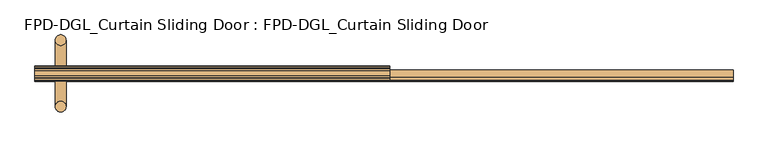
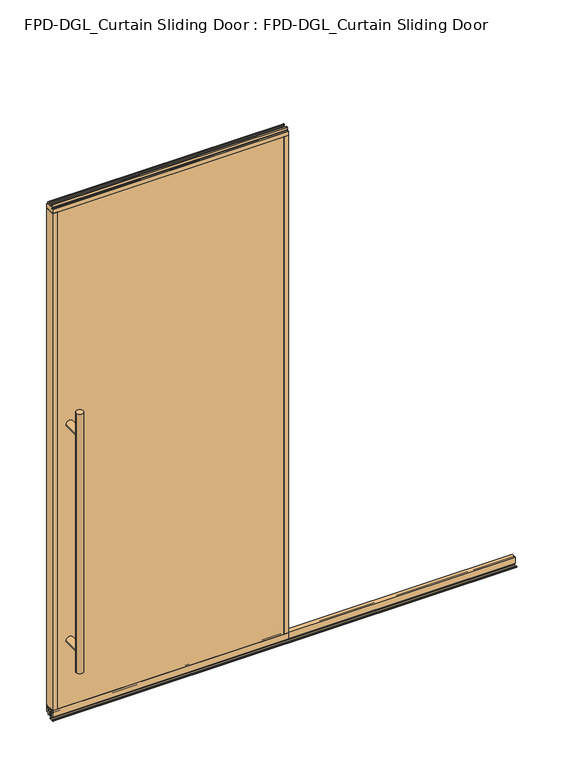
"""IFC4 building model written with IfcOpenShell, lengths in millimetres: door geometry, FPD-DGL_Curtain Sliding Door : FPD-DGL_Curtain Sliding Door."""

from ifc_helpers import new_model, si_unit, point, frame, frame_2d, origin, place, context, project, spatial, polyline, circle_curve, ellipse_curve, trimmed, segment, composite_curve, outline, extrude, source, transform, mapped, element, save
from ifc_brep_helpers import plane_surface, cylinder_surface, advanced_brep


def fpd_dgl_curtain_sliding_door_fpd_dgl_curtain_sliding_door_3c992f0a(model_context):
    return source(origin(), model_context, "Body", "SolidModel", [
        advanced_brep(
        [(-432.6176626, -35.128049, 1473.2), (-464.3676626, -35.128049, 1473.2), (-432.6176626, 162.0969566, 1473.2), (-464.3676626, 162.0969566, 1473.2), (-432.6176626, -35.128049, 254.0), (-464.3676626, -35.128049, 254.0), (-432.6176626, 162.0969566, 254.0), (-464.3676626, 162.0969566, 254.0), (-432.6176626, -35.128049, 1371.6), (-464.3676626, -35.128049, 1371.6), (-464.3676626, -35.128049, 355.6), (-432.6176626, -35.128049, 355.6), (-432.6176626, 162.0969566, 1371.6), (-432.6176626, 162.0969566, 355.6), (-464.3676626, 162.0969566, 355.6), (-464.3676626, 162.0969566, 1371.6)],
        [
            (0, 1, circle_curve(frame((-448.4926626, -35.128049, 1473.2), z_axis=(0.0, 0.0, 1.0), x_axis=(-1.0, 0.0, 0.0)), 15.875)),
            (1, 0, circle_curve(frame((-448.4926626, -35.128049, 1473.2), z_axis=(0.0, 0.0, 1.0), x_axis=(-1.0, 0.0, 0.0)), 15.875)),
            (2, 3, circle_curve(frame((-448.4926626, 162.0969566, 1473.2), z_axis=(0.0, 0.0, 1.0), x_axis=(-1.0, 0.0, 0.0)), 15.875)),
            (3, 2, circle_curve(frame((-448.4926626, 162.0969566, 1473.2), z_axis=(0.0, 0.0, 1.0), x_axis=(-1.0, 0.0, 0.0)), 15.875)),
            (4, 5, circle_curve(frame((-448.4926626, -35.128049, 254.0), z_axis=(0.0, 0.0, -1.0), x_axis=(-1.0, 0.0, 0.0)), 15.875)),
            (5, 4, circle_curve(frame((-448.4926626, -35.128049, 254.0), z_axis=(0.0, 0.0, -1.0), x_axis=(-1.0, 0.0, 0.0)), 15.875)),
            (6, 7, circle_curve(frame((-448.4926626, 162.0969566, 254.0), z_axis=(0.0, 0.0, -1.0), x_axis=(-1.0, 0.0, 0.0)), 15.875)),
            (7, 6, circle_curve(frame((-448.4926626, 162.0969566, 254.0), z_axis=(0.0, 0.0, -1.0), x_axis=(-1.0, 0.0, 0.0)), 15.875)),
            (0, 8),
            (8, 9, ellipse_curve(frame((-448.4926626, -35.128049, 1371.6), z_axis=(0.0, -0.7071067811865525, 0.7071067811865427), x_axis=(0.0, 0.7071067811865427, 0.7071067811865523)), 22.4506403, 15.875)),
            (9, 1),
            (5, 10),
            (10, 11, ellipse_curve(frame((-448.4926626, -35.128049, 355.6), z_axis=(0.0, -0.7071067811865525, -0.7071067811865427), x_axis=(0.0, -0.7071067811865427, 0.7071067811865523)), 22.4506403, 15.875)),
            (11, 4),
            (8, 11),
            (11, 10, ellipse_curve(frame((-448.4926626, -35.128049, 355.6), z_axis=(0.0, -0.7071067811865427, 0.7071067811865525), x_axis=(0.0, 0.7071067811865525, 0.7071067811865425)), 22.4506403, 15.875)),
            (10, 9),
            (9, 8, ellipse_curve(frame((-448.4926626, -35.128049, 1371.6), z_axis=(0.0, -0.7071067811865427, -0.7071067811865525), x_axis=(0.0, -0.7071067811865525, 0.7071067811865425)), 22.4506403, 15.875)),
            (2, 12),
            (12, 13),
            (13, 6),
            (7, 14),
            (14, 15),
            (15, 3),
            (15, 12, ellipse_curve(frame((-448.4926626, 162.0969566, 1371.6), z_axis=(0.0, 0.7071067811865427, 0.7071067811865525), x_axis=(0.0, -0.7071067811865525, 0.7071067811865425)), 22.4506403, 15.875)),
            (13, 14, ellipse_curve(frame((-448.4926626, 162.0969566, 355.6), z_axis=(0.0, 0.7071067811865427, -0.7071067811865525), x_axis=(0.0, 0.7071067811865525, 0.7071067811865425)), 22.4506403, 15.875)),
            (12, 15, ellipse_curve(frame((-448.4926626, 162.0969566, 1371.6), z_axis=(0.0, 0.7071067811865525, -0.7071067811865427), x_axis=(0.0, 0.7071067811865427, 0.7071067811865523)), 22.4506403, 15.875)),
            (14, 13, ellipse_curve(frame((-448.4926626, 162.0969566, 355.6), z_axis=(0.0, 0.7071067811865525, 0.7071067811865427), x_axis=(0.0, -0.7071067811865427, 0.7071067811865523)), 22.4506403, 15.875)),
            (9, 15),
            (12, 8),
            (10, 14),
            (13, 11),
        ],
        [
            plane_surface(frame((-349.3852619, 63.5, 1473.2), z_axis=(0.0, 0.0, 1.0), x_axis=(0.0, -1.0, 0.0))),
            plane_surface(frame((-349.3852619, 63.5, 254.0), z_axis=(0.0, 0.0, -1.0), x_axis=(0.0, -1.0, 0.0))),
            cylinder_surface(frame((-448.4926626, -35.128049, 1473.2), z_axis=(0.0, 0.0, 1.0), x_axis=(-1.0, 0.0, 0.0)), 15.875),
            cylinder_surface(frame((-448.4926626, 162.0969566, 1473.2), z_axis=(0.0, 0.0, 1.0), x_axis=(-1.0, 0.0, 0.0)), 15.875),
            cylinder_surface(frame((-448.4926626, 162.0969566, 1371.6), z_axis=(0.0, -1.0, 0.0), x_axis=(1.0, 0.0, 0.0)), 15.875),
            cylinder_surface(frame((-448.4926626, 63.5, 355.6), z_axis=(0.0, -1.0, 0.0), x_axis=(1.0, 0.0, 0.0)), 15.875),
        ],
        [
            (0, [[1, 2]]),
            (0, [[3, 4]]),
            (1, [[5, 6]]),
            (1, [[7, 8]]),
            (2, [[-1, 9, 10, 11]]),
            (2, [[-6, 12, 13, 14]]),
            (2, [[15, 16, 17, 18]]),
            (2, [[-2, -11, -17, -12, -5, -14, -15, -9]]),
            (3, [[-3, 19, 20, 21, -8, 22, 23, 24]]),
            (3, [[-4, -24, 25, -19]]),
            (3, [[-7, -21, 26, -22]]),
            (3, [[-20, 27, -23, 28]]),
            (4, [[29, -27, 30, -18]]),
            (4, [[-29, -10, -30, -25]]),
            (5, [[31, -26, 32, -13]]),
            (5, [[-31, -16, -32, -28]]),
        ],
    ),
        extrude(outline(composite_curve([segment(trimmed(circle_curve(frame_2d((58.5185794, 1.1714386)), 1.1684), [point((59.6869794, 1.1714386))], [point((58.5185794, 0.0030387))], False, "CARTESIAN"), True, "CONTINUOUS"), segment(polyline([(58.5185794, 0.0030387), (40.8401797, 0.0030387)]), True, "CONTINUOUS"), segment(trimmed(circle_curve(frame_2d((40.8401797, 1.1714386)), 1.1684), [point((40.8401797, 0.0030387))], [point((39.6717797, 1.1714386))], False, "CARTESIAN"), True, "CONTINUOUS"), segment(polyline([(39.6717797, 1.1714386), (39.6717797, 4.0416386)]), True, "CONTINUOUS"), segment(trimmed(circle_curve(frame_2d((40.8401797, 4.0416386)), 1.1684), [point((39.6717797, 4.0416386))], [point((40.8401797, 5.2100386))], False, "CARTESIAN"), True, "CONTINUOUS"), segment(polyline([(40.8401797, 5.2100386), (43.4288569, 5.2100386), (43.4288569, 4.4232339), (40.4337797, 4.4232339), (40.4337797, 0.7650387), (58.9122794, 0.7650387), (58.9122794, 4.3138948), (56.2262294, 4.3138948), (56.2262294, 5.1338386), (58.9336188, 5.1338386)]), True, "CONTINUOUS"), segment(trimmed(circle_curve(frame_2d((58.5185794, 4.0416386)), 1.1684), [point((58.9336188, 5.1338386))], [point((59.6869794, 4.0416386))], False, "CARTESIAN"), True, "CONTINUOUS"), segment(polyline([(59.6869794, 4.0416386), (59.6869794, 1.1714386)]), True, "CONTINUOUS")], self_intersect=False)), frame((-524.6926626, 0.0, 0.0), z_axis=(1.0, 0.0, 0.0), x_axis=(0.0, 1.0, 0.0)), (0.0, 0.0, 1.0), 2065.3853252),
        extrude(outline(composite_curve([segment(polyline([(74.4646139, 41.6030387), (74.4646139, 11.6839647), (73.4646139, 11.6839647), (73.4646139, 33.5017657), (72.0747815, 33.5017657), (72.0747815, 34.3040626), (73.4646139, 34.3040626), (73.4646139, 35.6040627), (62.6646138, 35.6040627), (62.6646138, 34.3040626), (64.0544462, 34.3040626), (64.0544462, 33.5017657), (62.6646138, 33.5017657), (62.6646138, 11.6839647), (61.0646135, 11.6839647), (61.0646135, 39.1243868)]), True, "CONTINUOUS"), segment(trimmed(circle_curve(frame_2d((60.0857402, 39.1243868)), 0.9788733), [point((61.0646135, 39.1243868))], [point((60.0857402, 40.1032601))], True, "CARTESIAN"), True, "CONTINUOUS"), segment(polyline([(60.0857402, 40.1032601), (54.9969627, 40.1032601)]), True, "CONTINUOUS"), segment(trimmed(circle_curve(frame_2d((54.9969627, 39.1709995)), 0.9322606), [point((54.9969627, 40.1032601))], [point((54.064702, 39.1709995))], True, "CARTESIAN"), True, "CONTINUOUS"), segment(polyline([(54.064702, 39.1709995), (54.064702, 11.6839647), (52.5646141, 11.6839647), (52.5646141, 41.6030387), (74.4646139, 41.6030387)]), True, "CONTINUOUS")], self_intersect=False)), frame((-524.6926626, 0.0, 0.0), z_axis=(1.0, 0.0, 0.0), x_axis=(0.0, 1.0, 0.0)), (0.0, 0.0, 1.0), 2065.3853252),
        extrude(outline(composite_curve([segment(polyline([(49.1758097, 48.6471016), (77.8241903, 48.6471016), (77.8241903, 47.6299627), (76.4571771, 47.6299627), (76.4571771, 41.3613764)]), True, "CONTINUOUS"), segment(trimmed(circle_curve(frame_2d((78.772652, 41.3613764)), 2.3154748), [point((76.4571771, 41.3613764))], [point((78.772652, 39.0459016))], True, "CARTESIAN"), True, "CONTINUOUS"), segment(polyline([(78.772652, 39.0459016), (83.7603754, 39.0522555)]), True, "CONTINUOUS"), segment(trimmed(circle_curve(frame_2d((83.662177, 39.8079016)), 0.762), [point((83.7603754, 39.0522555))], [point((84.424177, 39.8079016))], True, "CARTESIAN"), True, "CONTINUOUS"), segment(polyline([(84.424177, 39.8079016), (84.424177, 48.6471016), (85.7241745, 48.6471016), (85.7241745, 19.0059017), (76.6027622, 19.0059017), (76.6027622, 15.875), (74.6984721, 15.875), (74.6984721, 47.0470737), (52.3015279, 47.0470737), (52.3015279, 15.875), (50.3972378, 15.875), (50.3972378, 19.0059017), (41.2758255, 19.0059017), (41.2758255, 48.6471016), (42.575823, 48.6471016), (42.575823, 39.8079016)]), True, "CONTINUOUS"), segment(trimmed(circle_curve(frame_2d((43.337823, 39.8079016)), 0.762), [point((42.575823, 39.8079016))], [point((43.2396246, 39.0522555))], True, "CARTESIAN"), True, "CONTINUOUS"), segment(polyline([(43.2396246, 39.0522555), (48.227348, 39.0459016)]), True, "CONTINUOUS"), segment(trimmed(circle_curve(frame_2d((48.227348, 41.3613764)), 2.3154748), [point((48.227348, 39.0459016))], [point((50.5428229, 41.3613764))], True, "CARTESIAN"), True, "CONTINUOUS"), segment(polyline([(50.5428229, 41.3613764), (50.5428229, 47.6299627), (49.1758097, 47.6299627), (49.1758097, 48.6471016)]), True, "CONTINUOUS")], self_intersect=False)), frame((-524.6926626, 0.0, 0.0), z_axis=(1.0, 0.0, 0.0), x_axis=(0.0, 1.0, 0.0)), (0.0, 0.0, 1.0), 1049.3853252),
        extrude(outline(composite_curve([segment(polyline([(55.1000175, 2419.5752356), (55.1000175, 2417.5752396), (51.5000248, 2417.5752396), (51.5000248, 2409.0752566)]), True, "CONTINUOUS"), segment(trimmed(circle_curve(frame_2d((52.0000238, 2409.0752566)), 0.499999), [point((51.5000248, 2409.0752566))], [point((52.0000238, 2408.5752576))], True, "CARTESIAN"), True, "CONTINUOUS"), segment(polyline([(52.0000238, 2408.5752576), (74.9999762, 2408.5752576)]), True, "CONTINUOUS"), segment(trimmed(circle_curve(frame_2d((74.9999762, 2409.0752566)), 0.499999), [point((74.9999762, 2408.5752576))], [point((75.4999752, 2409.0752566))], True, "CARTESIAN"), True, "CONTINUOUS"), segment(polyline([(75.4999752, 2409.0752566), (75.4999752, 2417.5752396), (71.8999825, 2417.5752396), (71.8999825, 2419.5752356), (76.9046588, 2419.5752356)]), True, "CONTINUOUS"), segment(trimmed(circle_curve(frame_2d((76.9046588, 2418.9799231)), 0.5953125), [point((76.9046588, 2419.5752356))], [point((77.4999713, 2418.9799231))], False, "CARTESIAN"), True, "CONTINUOUS"), segment(polyline([(77.4999713, 2418.9799231), (77.4999713, 2407.6119214)]), True, "CONTINUOUS"), segment(trimmed(circle_curve(frame_2d((79.4190752, 2407.6119214)), 1.919104), [point((77.4999713, 2407.6119214))], [point((79.4190752, 2405.6928175))], True, "CARTESIAN"), True, "CONTINUOUS"), segment(polyline([(79.4190752, 2405.6928175), (84.9249567, 2405.6928175)]), True, "CONTINUOUS"), segment(trimmed(circle_curve(frame_2d((84.9249567, 2404.8928191)), 0.7999984), [point((84.9249567, 2405.6928175))], [point((85.7249551, 2404.8928191))], False, "CARTESIAN"), True, "CONTINUOUS"), segment(polyline([(85.7249551, 2404.8928191), (85.7249551, 2386.0078176), (84.4249577, 2386.0078176), (84.4249577, 2396.1077976)]), True, "CONTINUOUS"), segment(trimmed(circle_curve(frame_2d((83.9249587, 2396.1077976)), 0.499999), [point((84.4249577, 2396.1077976))], [point((83.9249587, 2396.6077966))], True, "CARTESIAN"), True, "CONTINUOUS"), segment(polyline([(83.9249587, 2396.6077966), (77.8249714, 2396.6077966), (77.8249714, 2386.0078176), (49.1750289, 2386.0078176), (49.1750289, 2396.6077966), (43.0750413, 2396.6077966)]), True, "CONTINUOUS"), segment(trimmed(circle_curve(frame_2d((43.0750413, 2396.1077976)), 0.499999), [point((43.0750413, 2396.6077966))], [point((42.5750423, 2396.1077976))], True, "CARTESIAN"), True, "CONTINUOUS"), segment(polyline([(42.5750423, 2396.1077976), (42.5750423, 2386.0078176), (41.2750446, 2386.0078176), (41.2750446, 2404.8928191)]), True, "CONTINUOUS"), segment(trimmed(circle_curve(frame_2d((42.0750432, 2404.8928191)), 0.7999985), [point((41.2750446, 2404.8928191))], [point((42.0750432, 2405.6928176))], False, "CARTESIAN"), True, "CONTINUOUS"), segment(polyline([(42.0750432, 2405.6928176), (47.5809248, 2405.6928176)]), True, "CONTINUOUS"), segment(trimmed(circle_curve(frame_2d((47.5809248, 2407.6119216)), 1.919104), [point((47.5809248, 2405.6928176))], [point((49.5000287, 2407.6119216))], True, "CARTESIAN"), True, "CONTINUOUS"), segment(polyline([(49.5000287, 2407.6119216), (49.5000287, 2418.9799231)]), True, "CONTINUOUS"), segment(trimmed(circle_curve(frame_2d((50.0953412, 2418.9799231)), 0.5953125), [point((49.5000287, 2418.9799231))], [point((50.0953412, 2419.5752356))], False, "CARTESIAN"), True, "CONTINUOUS"), segment(polyline([(50.0953412, 2419.5752356), (55.1000175, 2419.5752356)]), True, "CONTINUOUS")], self_intersect=False)), frame((-524.6926626, 0.0, 0.0), z_axis=(1.0, 0.0, 0.0), x_axis=(0.0, 1.0, 0.0)), (0.0, 0.0, 1.0), 1049.3853252),
        extrude(outline(polyline([(514.7558136, 84.4265993), (514.7558136, 77.825), (-514.7558136, 77.825), (-514.7558136, 84.4265993), (514.7558136, 84.4265993)])), frame((0.0, 0.0, 39.1580021), z_axis=(0.0, 0.0, 1.0), x_axis=(1.0, 0.0, 0.0)), (0.0, 0.0, 1.0), 2357.1832522),
        extrude(outline(polyline([(-514.7558136, 49.175), (514.7558136, 49.175), (514.7558136, 42.5734007), (-514.7558136, 42.5734007), (-514.7558136, 49.175)])), frame((0.0, 0.0, 39.1580021), z_axis=(0.0, 0.0, 1.0), x_axis=(1.0, 0.0, 0.0)), (0.0, 0.0, 1.0), 2357.1832522),
        extrude(outline(composite_curve([segment(polyline([(-524.6926626, 85.725), (-504.1558136, 85.725), (-504.1558136, 84.4265993), (-514.2478136, 84.4265993)]), True, "CONTINUOUS"), segment(trimmed(circle_curve(frame_2d((-514.2478136, 83.9185993)), 0.508), [point((-514.2478136, 84.4265993))], [point((-514.7558136, 83.9185993))], True, "CARTESIAN"), True, "CONTINUOUS"), segment(polyline([(-514.7558136, 83.9185993), (-514.7558136, 81.9404), (-515.9558135, 81.9404), (-515.9558135, 84.4202), (-522.8892625, 84.4202), (-522.8892625, 72.745198), (-515.9558135, 72.745198), (-515.9558135, 77.825), (-504.1558136, 77.825), (-504.1558136, 49.175), (-515.9558135, 49.175), (-515.9558135, 54.254802), (-522.8892625, 54.254802), (-522.8892625, 42.5798), (-515.9558135, 42.5798), (-515.9558135, 45.0596), (-514.7558136, 45.0596), (-514.7558136, 43.1025937)]), True, "CONTINUOUS"), segment(trimmed(circle_curve(frame_2d((-514.2266199, 43.1025937)), 0.5291937), [point((-514.7558136, 43.1025937))], [point((-514.2266199, 42.5734))], True, "CARTESIAN"), True, "CONTINUOUS"), segment(polyline([(-514.2266199, 42.5734), (-504.1558136, 42.5734), (-504.1558136, 41.275), (-524.6926626, 41.275), (-524.6926626, 85.725)]), True, "CONTINUOUS")], self_intersect=False)), frame((0.0, 0.0, 48.6471016), z_axis=(0.0, 0.0, 1.0), x_axis=(1.0, 0.0, 0.0)), (0.0, 0.0, 1.0), 2337.360716),
        extrude(outline(composite_curve([segment(polyline([(524.6926626, 85.725), (524.6926626, 41.275), (504.1558136, 41.275), (504.1558136, 42.5734), (514.2266199, 42.5734)]), True, "CONTINUOUS"), segment(trimmed(circle_curve(frame_2d((514.2266199, 43.1025937)), 0.5291937), [point((514.2266199, 42.5734))], [point((514.7558136, 43.1025937))], True, "CARTESIAN"), True, "CONTINUOUS"), segment(polyline([(514.7558136, 43.1025937), (514.7558136, 45.0596), (515.9558135, 45.0596), (515.9558135, 42.5798), (522.8892625, 42.5798), (522.8892625, 54.254802), (515.9558135, 54.254802), (515.9558135, 49.175), (504.1558137, 49.175), (504.1558137, 77.825), (515.9558135, 77.825), (515.9558135, 72.745198), (522.8892625, 72.745198), (522.8892625, 84.4202), (515.9558135, 84.4202), (515.9558135, 81.9404), (514.7558136, 81.9404), (514.7558136, 83.9185993)]), True, "CONTINUOUS"), segment(trimmed(circle_curve(frame_2d((514.2478136, 83.9185993)), 0.508), [point((514.7558136, 83.9185993))], [point((514.2478136, 84.4265993))], True, "CARTESIAN"), True, "CONTINUOUS"), segment(polyline([(514.2478136, 84.4265993), (504.1558136, 84.4265993), (504.1558136, 85.725), (524.6926626, 85.725)]), True, "CONTINUOUS")], self_intersect=False)), frame((0.0, 0.0, 48.6471016), z_axis=(0.0, 0.0, 1.0), x_axis=(1.0, 0.0, 0.0)), (0.0, 0.0, 1.0), 2337.360716),
    ])


if __name__ == "__main__":
    model = new_model("IFC4")
    model_context = context("Model", 3, world=origin())
    ifc_project = project(units=[si_unit("LENGTHUNIT", "METRE", prefix="MILLI")], contexts=[model_context])
    site = spatial("IfcSite", under=ifc_project)
    building = spatial("IfcBuilding", under=site)
    placement = place(None, origin())
    fpd_dgl_curtain_sliding_door_fpd_dgl_curtain_sliding_door_shape = fpd_dgl_curtain_sliding_door_fpd_dgl_curtain_sliding_door_3c992f0a(model_context)
    element("IfcDoor", 1, ObjectType="FPD-DGL_Curtain Sliding Door : FPD-DGL_Curtain Sliding Door", at=placement, inside=building, context=model_context, shape_type="MappedRepresentation", body=[
        mapped(fpd_dgl_curtain_sliding_door_fpd_dgl_curtain_sliding_door_shape, transform((0.0, 0.0, 0.0), x_axis=(1.0, 0.0, 0.0), y_axis=(0.0, 1.0, 0.0), z_axis=(0.0, 0.0, 1.0))),
    ])
    save(model, "model.ifc")
